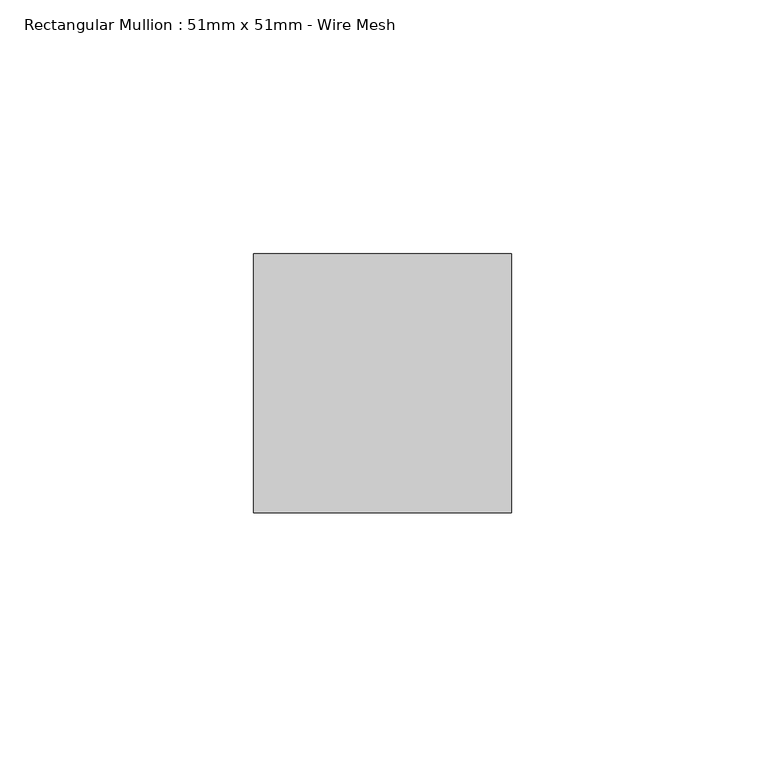
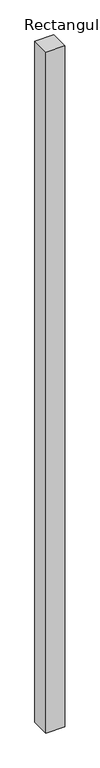
"""IFC4 building model written with IfcOpenShell, lengths in millimetres: member geometry, Rectangular Mullion : 51mm x 51mm - Wire Mesh."""

from ifc_helpers import new_model, si_unit, frame, origin, place, context, project, spatial, polyline, outline, extrude, source, transform, mapped, element, save


def rectangular_mullion_51mm_x_51mm_wire_mesh_12a4ddc7(model_context):
    return source(origin(), model_context, "Body", "SweptSolid", [
        extrude(outline(polyline([(0.0, 25.5), (0.0, -25.5), (-50.8, -25.5), (-50.8, 25.5), (0.0, 25.5)])), frame((0.0, 0.0, -1923.8), z_axis=(0.0, 0.0, 1.0), x_axis=(1.0, 0.0, 0.0)), (0.0, 0.0, 1.0), 1923.8),
    ])


if __name__ == "__main__":
    model = new_model("IFC4")
    model_context = context("Model", 3, world=origin())
    ifc_project = project(units=[si_unit("LENGTHUNIT", "METRE", prefix="MILLI")], contexts=[model_context])
    site = spatial("IfcSite", under=ifc_project)
    building = spatial("IfcBuilding", under=site)
    placement = place(None, origin())
    rectangular_mullion_51mm_x_51mm_wire_mesh_shape = rectangular_mullion_51mm_x_51mm_wire_mesh_12a4ddc7(model_context)
    element("IfcMember", 1, ObjectType="Rectangular Mullion : 51mm x 51mm - Wire Mesh", at=placement, inside=building, context=model_context, shape_type="MappedRepresentation", body=[
        mapped(rectangular_mullion_51mm_x_51mm_wire_mesh_shape, transform((0.0, 0.0, 0.0), x_axis=(1.0, 0.0, 0.0), y_axis=(0.0, 1.0, 0.0), z_axis=(0.0, 0.0, 1.0))),
    ])
    save(model, "model.ifc")
